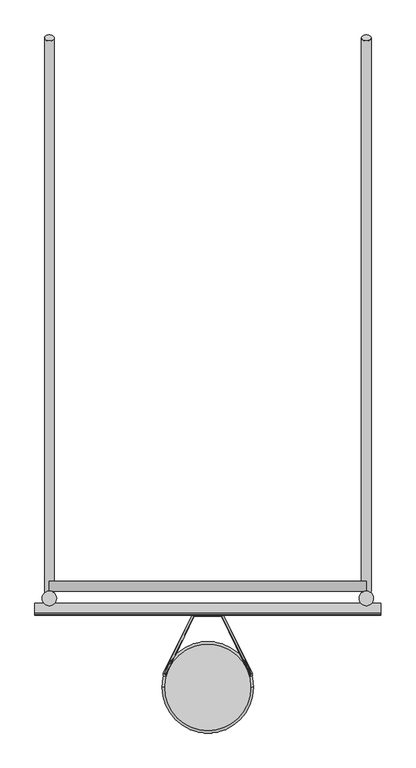
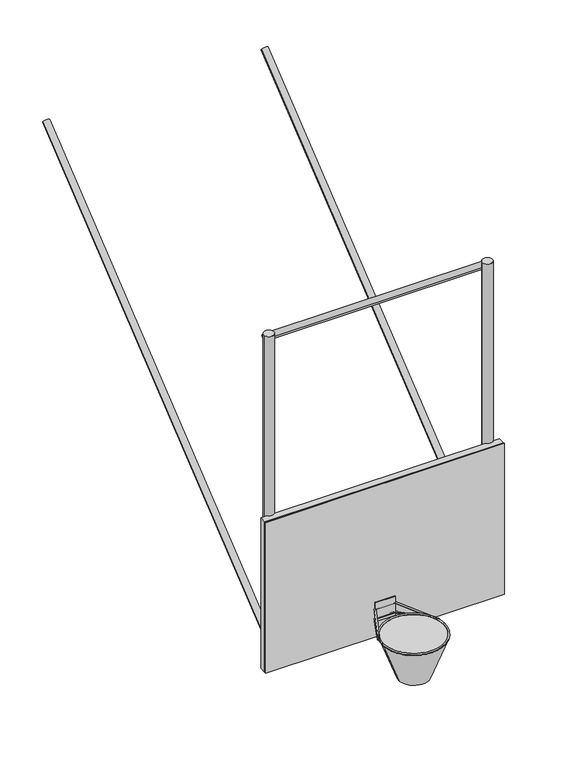
"""IFC4 building model written with IfcOpenShell, lengths in millimetres: proxy geometry."""

from ifc_helpers import new_model, si_unit, point, frame, frame_2d, origin, place, context, project, spatial, polyline, circle_curve, ellipse_curve, trimmed, segment, composite_curve, outline, extrude, source, transform, mapped, element, save
from ifc_brep_helpers import plane_surface, cylinder_surface, revolved_surface, advanced_brep


def specialty_equipment_6b8d7d0f(model_context):
    return source(origin(), model_context, "Body", "SolidModel", [
        extrude(outline(composite_curve([segment(trimmed(circle_curve(frame_2d((-76.2, 0.0)), 25.4), [point((-50.8, 0.0))], [point((-101.6, 0.0))], False, "CARTESIAN"), True, "CONTINUOUS"), segment(trimmed(circle_curve(frame_2d((-76.2, 0.0)), 25.4), [point((-101.6, 0.0))], [point((-50.8, 0.0))], False, "CARTESIAN"), True, "CONTINUOUS")], self_intersect=False)), frame((914.4, 114.3, 3048.0), z_axis=(0.0, 0.7771459614569692, 0.6293203910498396), x_axis=(1.0, 0.0, 0.0)), (0.0, 0.0, 1.0), 3759.2),
        extrude(outline(composite_curve([segment(trimmed(circle_curve(frame_2d((-76.2, 0.0)), 25.4), [point((-50.8, 0.0))], [point((-101.6, 0.0))], False, "CARTESIAN"), True, "CONTINUOUS"), segment(trimmed(circle_curve(frame_2d((-76.2, 0.0)), 25.4), [point((-101.6, 0.0))], [point((-50.8, 0.0))], False, "CARTESIAN"), True, "CONTINUOUS")], self_intersect=False)), frame((-914.4, 114.3, 3048.0), z_axis=(0.0, 0.7771459614569691, 0.6293203910498396), x_axis=(-1.0, 0.0, 0.0)), (0.0, 0.0, 1.0), 3759.2),
        extrude(outline(composite_curve([segment(trimmed(circle_curve(frame_2d((140.0761832, 3078.4192567)), 25.4), [point((165.4761832, 3078.4192567))], [point((114.6761832, 3078.4192567))], False, "CARTESIAN"), True, "CONTINUOUS"), segment(trimmed(circle_curve(frame_2d((140.0761832, 3078.4192567)), 25.4), [point((114.6761832, 3078.4192567))], [point((165.4761832, 3078.4192567))], False, "CARTESIAN"), True, "CONTINUOUS")], self_intersect=False)), frame((-838.2, 0.0, 0.0), z_axis=(1.0, 0.0, 0.0), x_axis=(0.0, 1.0, 0.0)), (0.0, 0.0, 1.0), 1676.4),
        extrude(outline(composite_curve([segment(trimmed(circle_curve(frame_2d((140.0761832, 5415.2192567)), 25.4), [point((165.4761832, 5415.2192567))], [point((114.6761832, 5415.2192567))], False, "CARTESIAN"), True, "CONTINUOUS"), segment(trimmed(circle_curve(frame_2d((140.0761832, 5415.2192567)), 25.4), [point((114.6761832, 5415.2192567))], [point((165.4761832, 5415.2192567))], False, "CARTESIAN"), True, "CONTINUOUS")], self_intersect=False)), frame((-838.2, 0.0, 0.0), z_axis=(1.0, 0.0, 0.0), x_axis=(0.0, 1.0, 0.0)), (0.0, 0.0, 1.0), 1676.4),
        extrude(outline(composite_curve([segment(trimmed(circle_curve(frame_2d((-838.2, 76.2)), 38.1), [point((-876.3, 76.2))], [point((-800.1, 76.2))], False, "CARTESIAN"), True, "CONTINUOUS"), segment(trimmed(circle_curve(frame_2d((-838.2, 76.2)), 38.1), [point((-800.1, 76.2))], [point((-876.3, 76.2))], False, "CARTESIAN"), True, "CONTINUOUS")], self_intersect=False)), frame((0.0, 0.0, 3048.0), z_axis=(0.0, 0.0, 1.0), x_axis=(1.0, 0.0, 0.0)), (0.0, 0.0, 1.0), 2438.4),
        extrude(outline(composite_curve([segment(trimmed(circle_curve(frame_2d((838.2, 76.2)), 38.1), [point((876.3, 76.2))], [point((800.1, 76.2))], False, "CARTESIAN"), True, "CONTINUOUS"), segment(trimmed(circle_curve(frame_2d((838.2, 76.2)), 38.1), [point((800.1, 76.2))], [point((876.3, 76.2))], False, "CARTESIAN"), True, "CONTINUOUS")], self_intersect=False)), frame((0.0, 0.0, 3048.0), z_axis=(0.0, 0.0, 1.0), x_axis=(1.0, 0.0, 0.0)), (0.0, 0.0, 1.0), 2438.4),
        advanced_brep(
        [(-236.6789699, -395.5113338, 3042.0341814), (236.6789699, -395.5113338, 3042.0341814), (-114.3, -395.5113338, 2707.5151813), (114.3, -395.5113338, 2707.5151813)],
        [
            (0, 1, circle_curve(frame((0.0, -395.5113338, 3042.0341814), z_axis=(0.0, 0.0, 1.0), x_axis=(-1.0, 0.0, 0.0)), 236.6789699)),
            (1, 0, circle_curve(frame((0.0, -395.5113338, 3042.0341814), z_axis=(0.0, 0.0, 1.0), x_axis=(1.0, 0.0, 0.0)), 236.6789699)),
            (2, 3, circle_curve(frame((0.0, -395.5113338, 2707.5151813), z_axis=(0.0, 0.0, -1.0), x_axis=(1.0, 0.0, 0.0)), 114.3)),
            (3, 2, circle_curve(frame((0.0, -395.5113338, 2707.5151813), z_axis=(0.0, 0.0, -1.0), x_axis=(-1.0, 0.0, 0.0)), 114.3)),
            (3, 1),
            (0, 2),
        ],
        [
            plane_surface(frame((0.0, -395.5113338, 3042.0341814), z_axis=(0.0, 0.0, 1.0), x_axis=(0.0, -1.0, 0.0))),
            plane_surface(frame((0.0, -395.5113338, 2707.5151813), z_axis=(0.0, 0.0, -1.0), x_axis=(0.0, -1.0, 0.0))),
            revolved_surface(polyline([(114.3000000051076, -395.5113338, 2707.5151813), (236.6789699, -395.5113338, 3042.0341814)]), (0.0, -395.5113338, 2395.079787), (0.0, 0.0, 1.0)),
            revolved_surface(polyline([(-114.3000000051076, -395.5113338, 2707.5151813), (-236.6789699, -395.5113338, 3042.0341814)]), (0.0, -395.5113338, 2395.079787), (0.0, 0.0, 1.0)),
        ],
        [
            (0, [[1, 2]]),
            (1, [[3, 4]]),
            (2, [[-4, 5, -1, 6]]),
            (3, [[-3, -6, -2, -5]]),
        ],
    ),
        advanced_brep(
        [(-235.8399415, -321.2580627, 3040.7989327), (-224.3912623, -326.5918433, 3042.1287936), (-80.1951006, -6.7272443, 2962.3775919), (-72.2048994, -19.05, 2965.45), (80.1951006, -6.7272443, 2962.3775919), (72.2048994, -19.05, 2965.45), (235.8399415, -321.2580627, 3040.7989327), (224.3912623, -326.5918433, 3042.1287936)],
        [
            (0, 1, circle_curve(frame((-230.1156019, -323.924953, 3041.4638631), z_axis=(-0.4328399193789917, -0.8746932651081373, 0.2180855248897866), x_axis=(0.9014708005210086, -0.41998272393508324, 0.10471345378737032)), 6.35)),
            (1, 0, circle_curve(frame((-230.1156019, -323.924953, 3041.4638631), z_axis=(-0.4328399193789917, -0.8746932651081373, 0.2180855248897866), x_axis=(0.9014708005210086, -0.41998272393508324, 0.10471345378737032)), 6.35)),
            (0, 2),
            (2, 3, ellipse_curve(frame((-76.2, -12.8886221, 2963.913796), z_axis=(-0.8464159495717788, -0.5167041485635194, 0.12882881342212485), x_axis=(0.5325223378511971, -0.8212737785213373, 0.20476655098619206)), 7.5022216, 6.35)),
            (3, 1),
            (3, 2, ellipse_curve(frame((-76.2, -12.8886221, 2963.913796), z_axis=(-0.8464159495717788, -0.5167041485635194, 0.12882881342212485), x_axis=(0.5325223378511971, -0.8212737785213373, 0.20476655098619206)), 7.5022216, 6.35)),
            (2, 4),
            (4, 5, ellipse_curve(frame((76.2, -12.8886221, 2963.913796), z_axis=(-0.8464159495717782, 0.5167041485635203, -0.12882881342212504), x_axis=(-0.5325223378511974, -0.8212737785213372, 0.20476655098619195)), 7.5022216, 6.35)),
            (5, 3),
            (5, 4, ellipse_curve(frame((76.2, -12.8886221, 2963.913796), z_axis=(-0.8464159495717782, 0.5167041485635203, -0.12882881342212504), x_axis=(-0.5325223378511974, -0.8212737785213372, 0.20476655098619195)), 7.5022216, 6.35)),
            (6, 7, circle_curve(frame((230.1156019, -323.924953, 3041.4638631), z_axis=(0.43283991937898986, -0.8746932651081383, 0.2180855248897868), x_axis=(-0.9014708005210095, -0.41998272393508135, 0.10471345378736992)), 6.35)),
            (7, 6, circle_curve(frame((230.1156019, -323.924953, 3041.4638631), z_axis=(0.43283991937898986, -0.8746932651081383, 0.2180855248897868), x_axis=(-0.9014708005210095, -0.41998272393508135, 0.10471345378736992)), 6.35)),
            (4, 6),
            (7, 5),
        ],
        [
            plane_surface(frame((-230.1156019, -1059.7666868, 90.1638673), z_axis=(-0.4328399193789915, -0.8746932651081376, 0.2180855248897867), x_axis=(0.0, 0.24192189559966143, 0.9702957262759981))),
            cylinder_surface(frame((-230.1156019, -323.924953, 3041.4638631), z_axis=(-0.4328399193789918, -0.8746932651081375, 0.21808552488978666), x_axis=(0.9014708005210086, -0.41998272393508324, 0.10471345378737032)), 6.35),
            cylinder_surface(frame((-76.2, -12.8886221, 2963.913796), z_axis=(-1.0, 0.0, 0.0), x_axis=(0.0, -0.970295726275998, 0.24192189559966143)), 6.35),
            plane_surface(frame((230.1156019, -1059.7666868, 90.1638673), z_axis=(0.4328399193789902, -0.8746932651081383, 0.21808552488978683), x_axis=(0.0, 0.24192189559966137, 0.9702957262759981))),
            cylinder_surface(frame((76.2, -12.8886221, 2963.913796), z_axis=(-0.43283991937898986, 0.8746932651081383, -0.2180855248897868), x_axis=(-0.9014708005210095, -0.41998272393508135, 0.10471345378736992)), 6.35),
        ],
        [
            (0, [[1, 2]]),
            (1, [[-1, 3, 4, 5]]),
            (1, [[-2, -5, 6, -3]]),
            (2, [[-4, 7, 8, 9]]),
            (2, [[-6, -9, 10, -7]]),
            (3, [[11, 12]]),
            (4, [[-8, 13, -12, 14]]),
            (4, [[-10, -14, -11, -13]]),
        ],
    ),
        extrude(outline(polyline([(76.2, -19.05), (-76.2, -19.05), (-76.2, 0.0), (76.2, 0.0), (76.2, -19.05)])), frame((0.0, 0.0, 2943.225), z_axis=(0.0, 0.0, 1.0), x_axis=(1.0, 0.0, 0.0)), (0.0, 0.0, 1.0), 152.4),
        advanced_brep(
        [(-235.8399415, -330.5097483, 3041.65), (-224.3912623, -336.0068153, 3041.65), (-80.1951006, -6.35, 3041.65), (-72.2048994, -19.05, 3041.65), (80.1951006, -6.35, 3041.65), (72.2048994, -19.05, 3041.65), (235.8399415, -330.5097483, 3041.65), (224.3912623, -336.0068153, 3041.65)],
        [
            (0, 1, circle_curve(frame((-230.1156019, -333.2582818, 3041.65), z_axis=(-0.4328399193789917, -0.9014708005210087, 0.0), x_axis=(0.9014708005210087, -0.4328399193789917, 0.0)), 6.35)),
            (1, 0, circle_curve(frame((-230.1156019, -333.2582818, 3041.65), z_axis=(-0.4328399193789917, -0.9014708005210087, 0.0), x_axis=(0.9014708005210087, -0.4328399193789917, 0.0)), 6.35)),
            (0, 2),
            (2, 3, ellipse_curve(frame((-76.2, -12.7, 3041.65), z_axis=(-0.8464159495717786, -0.5325223378511968, 0.0), x_axis=(0.5325223378511967, -0.8464159495717788, 0.0)), 7.5022216, 6.35)),
            (3, 1),
            (3, 2, ellipse_curve(frame((-76.2, -12.7, 3041.65), z_axis=(-0.8464159495717786, -0.5325223378511968, 0.0), x_axis=(0.5325223378511967, -0.8464159495717788, 0.0)), 7.5022216, 6.35)),
            (2, 4),
            (4, 5, ellipse_curve(frame((76.2, -12.7, 3041.65), z_axis=(-0.8464159495717782, 0.5325223378511977, 0.0), x_axis=(-0.5325223378511974, -0.8464159495717782, 0.0)), 7.5022216, 6.35)),
            (5, 3),
            (5, 4, ellipse_curve(frame((76.2, -12.7, 3041.65), z_axis=(-0.8464159495717782, 0.5325223378511977, 0.0), x_axis=(-0.5325223378511974, -0.8464159495717782, 0.0)), 7.5022216, 6.35)),
            (6, 7, circle_curve(frame((230.1156019, -333.2582818, 3041.65), z_axis=(0.4328399193789898, -0.9014708005210095, 0.0), x_axis=(-0.9014708005210095, -0.4328399193789898, 0.0)), 6.35)),
            (7, 6, circle_curve(frame((230.1156019, -333.2582818, 3041.65), z_axis=(0.4328399193789898, -0.9014708005210095, 0.0), x_axis=(-0.9014708005210095, -0.4328399193789898, 0.0)), 6.35)),
            (4, 6),
            (7, 5),
        ],
        [
            plane_surface(frame((-230.1156019, -333.2582818, 0.0), z_axis=(-0.43283991937899147, -0.9014708005210087, 0.0), x_axis=(0.0, 0.0, 1.0))),
            cylinder_surface(frame((-230.1156019, -333.2582818, 3041.65), z_axis=(-0.4328399193789917, -0.9014708005210087, 0.0), x_axis=(0.9014708005210087, -0.4328399193789917, 0.0)), 6.35),
            cylinder_surface(frame((-76.2, -12.7, 3041.65), z_axis=(-1.0, 0.0, 0.0), x_axis=(0.0, -1.0, 0.0)), 6.35),
            plane_surface(frame((230.1156019, -333.2582818, 0.0), z_axis=(0.4328399193789899, -0.9014708005210094, 0.0), x_axis=(0.0, 0.0, 1.0))),
            cylinder_surface(frame((76.2, -12.7, 3041.65), z_axis=(-0.4328399193789898, 0.9014708005210095, 0.0), x_axis=(-0.9014708005210095, -0.4328399193789898, 0.0)), 6.35),
        ],
        [
            (0, [[1, 2]]),
            (1, [[-1, 3, 4, 5]]),
            (1, [[-2, -5, 6, -3]]),
            (2, [[-4, 7, 8, 9]]),
            (2, [[-6, -9, 10, -7]]),
            (3, [[11, 12]]),
            (4, [[-8, 13, -12, 14]]),
            (4, [[-10, -14, -11, -13]]),
        ],
    ),
        advanced_brep(
        [(228.6, -393.7, 3041.65), (-228.6, -393.7, 3041.65), (-241.3, -393.7, 3041.65), (241.3, -393.7, 3041.65)],
        [
            (0, 1, circle_curve(frame((0.0, -393.7, 3041.65), z_axis=(0.0, 0.0, -1.0), x_axis=(-1.0, 0.0, 0.0)), 228.6)),
            (1, 2, circle_curve(frame((-234.95, -393.7, 3041.65), z_axis=(0.0, -1.0, 0.0), x_axis=(1.0, 0.0, 0.0)), 6.35)),
            (2, 3, circle_curve(frame((0.0, -393.7, 3041.65), z_axis=(0.0, 0.0, 1.0), x_axis=(-1.0, 0.0, 0.0)), 241.3)),
            (3, 0, circle_curve(frame((234.95, -393.7, 3041.65), z_axis=(0.0, -1.0, 0.0), x_axis=(-1.0, 0.0, 0.0)), 6.35)),
            (2, 1, circle_curve(frame((-234.95, -393.7, 3041.65), z_axis=(0.0, -1.0, 0.0), x_axis=(1.0, 0.0, 0.0)), 6.35)),
            (0, 3, circle_curve(frame((234.95, -393.7, 3041.65), z_axis=(0.0, -1.0, 0.0), x_axis=(-1.0, 0.0, 0.0)), 6.35)),
            (1, 0, circle_curve(frame((0.0, -393.7, 3041.65), z_axis=(0.0, 0.0, -1.0), x_axis=(1.0, 0.0, 0.0)), 228.6)),
            (3, 2, circle_curve(frame((0.0, -393.7, 3041.65), z_axis=(0.0, 0.0, 1.0), x_axis=(1.0, 0.0, 0.0)), 241.3)),
        ],
        [
            revolved_surface(trimmed(ellipse_curve(frame((-234.95, -393.7, 3041.65), z_axis=(0.0, 1.0, 0.0), x_axis=(1.0, 0.0, 0.0)), 6.35, 6.35), [point((-241.3, -393.7, 3041.65))], [point((-228.6, -393.7, 3041.65))], True, "CARTESIAN"), (0.0, -393.7, 0.0), (0.0, 0.0, 1.0)),
            revolved_surface(trimmed(ellipse_curve(frame((-234.95, -393.7, 3041.65), z_axis=(0.0, 1.0, 0.0), x_axis=(1.0, 0.0, 0.0)), 6.35, 6.35), [point((-228.6, -393.7, 3041.65))], [point((-241.3, -393.7, 3041.65))], True, "CARTESIAN"), (0.0, -393.7, 0.0), (0.0, 0.0, 1.0)),
            revolved_surface(trimmed(ellipse_curve(frame((234.95, -393.7, 3041.65), z_axis=(0.0, -1.0, 0.0), x_axis=(-1.0, 0.0, 0.0)), 6.35, 6.35), [point((241.3, -393.7, 3041.65))], [point((228.6, -393.7, 3041.65))], True, "CARTESIAN"), (0.0, -393.7, 0.0), (0.0, 0.0, 1.0)),
            revolved_surface(trimmed(ellipse_curve(frame((234.95, -393.7, 3041.65), z_axis=(0.0, -1.0, 0.0), x_axis=(-1.0, 0.0, 0.0)), 6.35, 6.35), [point((228.6, -393.7, 3041.65))], [point((241.3, -393.7, 3041.65))], True, "CARTESIAN"), (0.0, -393.7, 0.0), (0.0, 0.0, 1.0)),
        ],
        [
            (0, [[1, 2, 3, 4]]),
            (1, [[-3, 5, -1, 6]]),
            (2, [[7, -4, 8, -2]]),
            (3, [[-8, -6, -7, -5]]),
        ],
    ),
        extrude(outline(polyline([(4035.425, 914.4), (4035.425, -914.4), (2816.225, -914.4), (2816.225, 914.4), (4035.425, 914.4)]), holes=[polyline([(2841.625, -889.0), (4010.025, -889.0), (4010.025, 889.0), (2841.625, 889.0), (2841.625, -889.0)])]), frame((0.0, 0.0, 0.0), z_axis=(0.0, 1.0, 0.0), x_axis=(0.0, 0.0, 1.0)), (0.0, 0.0, 1.0), 50.8),
        extrude(outline(polyline([(4035.425, 914.4), (4035.425, -914.4), (2816.225, -914.4), (2816.225, 914.4), (4035.425, 914.4)]), holes=[polyline([(2892.425, -838.2), (3959.225, -838.2), (3959.225, 838.2), (2892.425, 838.2), (2892.425, -838.2)])]), frame((0.0, -6.35, 0.0), z_axis=(0.0, 1.0, 0.0), x_axis=(0.0, 0.0, 1.0)), (0.0, 0.0, 1.0), 12.7),
        extrude(outline(polyline([(3527.425, 304.8), (3527.425, -304.8), (3070.225, -304.8), (3070.225, 304.8), (3527.425, 304.8)]), holes=[polyline([(3121.025, -254.0), (3476.625, -254.0), (3476.625, 254.0), (3121.025, 254.0), (3121.025, -254.0)])]), frame((0.0, -6.35, 0.0), z_axis=(0.0, 1.0, 0.0), x_axis=(0.0, 0.0, 1.0)), (0.0, 0.0, 1.0), 12.7),
        extrude(outline(polyline([(914.4, -12.7), (-914.4, -12.7), (-914.4, 0.0), (914.4, 0.0), (914.4, -12.7)])), frame((0.0, 0.0, 2816.225), z_axis=(0.0, 0.0, 1.0), x_axis=(1.0, 0.0, 0.0)), (0.0, 0.0, 1.0), 1219.2),
    ])


if __name__ == "__main__":
    model = new_model("IFC4")
    model_context = context("Model", 3, world=origin())
    ifc_project = project(units=[si_unit("LENGTHUNIT", "METRE", prefix="MILLI")], contexts=[model_context])
    site = spatial("IfcSite", under=ifc_project)
    building = spatial("IfcBuilding", under=site)
    placement = place(None, origin())
    specialty_equipment_shape = specialty_equipment_6b8d7d0f(model_context)
    element("IfcBuildingElementProxy", 1, Name="Specialty Equipment", at=placement, inside=building, context=model_context, shape_type="MappedRepresentation", body=[
        mapped(specialty_equipment_shape, transform((0.0, 0.0, 0.0), x_axis=(1.0, 0.0, 0.0), y_axis=(0.0, 1.0, 0.0), z_axis=(0.0, 0.0, 1.0))),
    ])
    save(model, "model.ifc")
